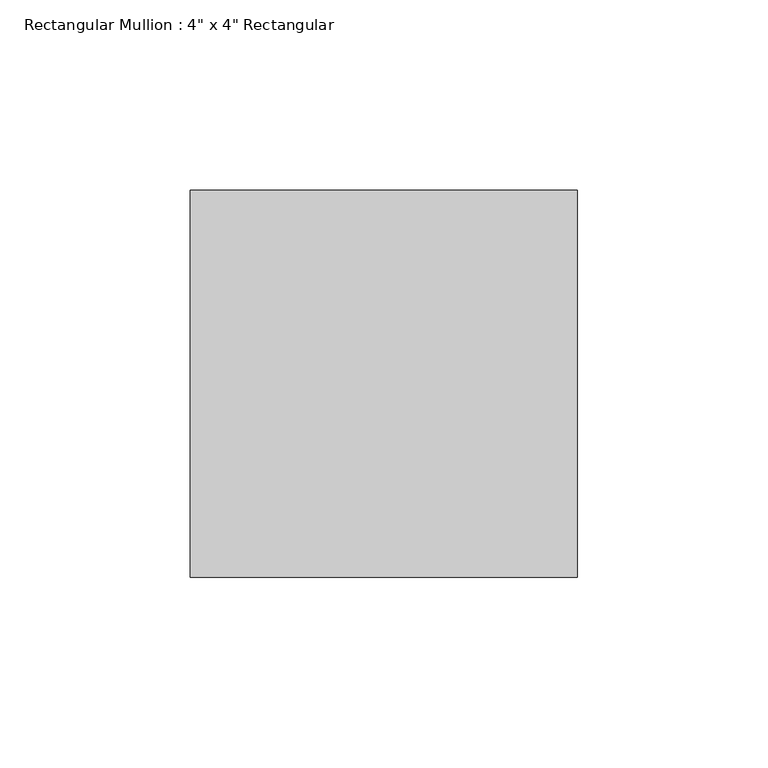
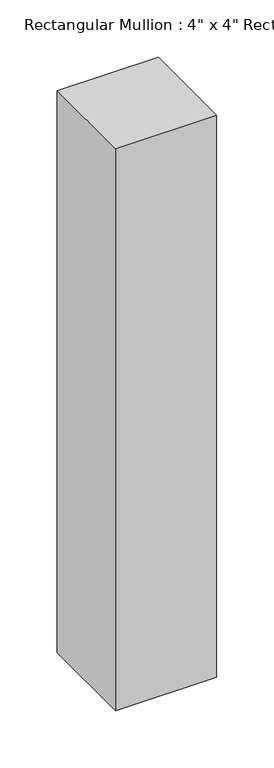
"""IFC4 building model written with IfcOpenShell, lengths in millimetres: member geometry."""

from ifc_helpers import new_model, si_unit, frame, origin, place, context, project, spatial, polyline, outline, extrude, source, transform, mapped, element, save


def member_e717fd27(model_context):
    return source(origin(), model_context, "Body", "SweptSolid", [
        extrude(outline(polyline([(50.8, 50.8), (50.8, -50.8), (-50.8, -50.8), (-50.8, 50.8), (50.8, 50.8)])), frame((0.0, 0.0, -596.9), z_axis=(0.0, 0.0, 1.0), x_axis=(1.0, 0.0, 0.0)), (0.0, 0.0, 1.0), 596.9),
    ])


if __name__ == "__main__":
    model = new_model("IFC4")
    model_context = context("Model", 3, world=origin())
    ifc_project = project(units=[si_unit("LENGTHUNIT", "METRE", prefix="MILLI")], contexts=[model_context])
    site = spatial("IfcSite", under=ifc_project)
    building = spatial("IfcBuilding", under=site)
    placement = place(None, origin())
    member_shape = member_e717fd27(model_context)
    element("IfcMember", 1, ObjectType="Rectangular Mullion : 4\" x 4\" Rectangular", at=placement, inside=building, context=model_context, shape_type="MappedRepresentation", body=[
        mapped(member_shape, transform((0.0, 0.0, 0.0), x_axis=(1.0, 0.0, 0.0), y_axis=(0.0, 1.0, 0.0), z_axis=(0.0, 0.0, 1.0))),
    ])
    save(model, "model.ifc")
